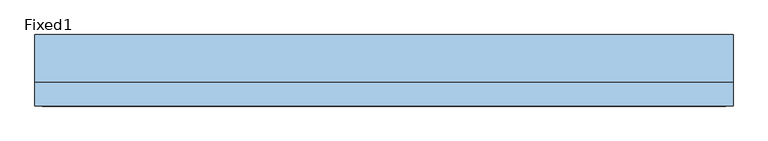
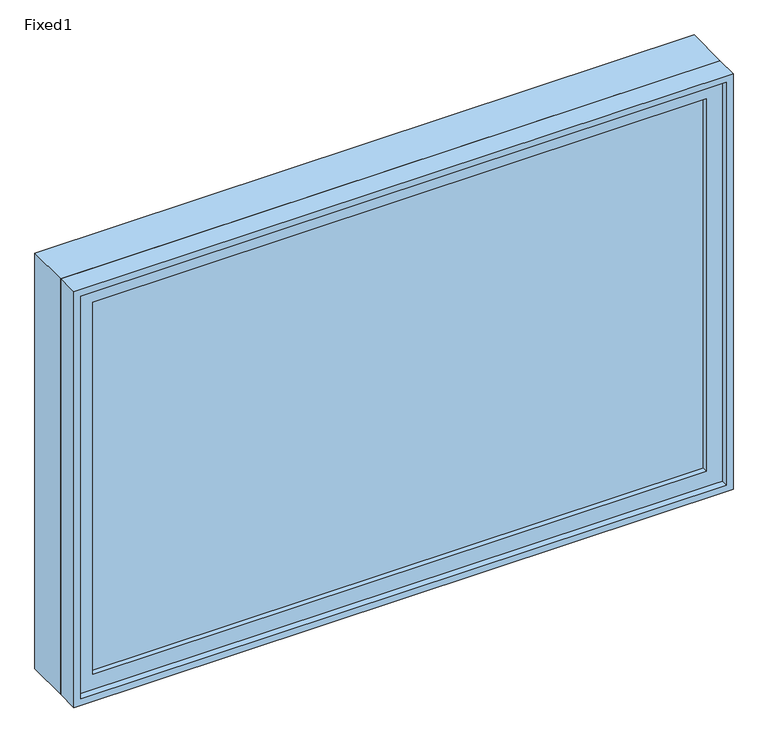
"""IFC4 building model written with IfcOpenShell, lengths in millimetres: window geometry, Fixed1."""

from ifc_helpers import new_model, si_unit, frame, origin, place, context, project, spatial, polyline, outline, extrude, source, transform, mapped, element, save


def fixed1_1b06b6a0(model_context):
    return source(origin(), model_context, "Body", "SweptSolid", [
        extrude(outline(polyline([(812.8, -46.0375), (812.8, -58.7375), (-889.0, -58.7375), (-889.0, -46.0375), (812.8, -46.0375)])), frame((0.0, 0.0, 1130.3), z_axis=(0.0, 0.0, 1.0), x_axis=(1.0, 0.0, 0.0)), (0.0, 0.0, 1.0), 1092.2),
        extrude(outline(polyline([(2266.95, -933.45), (1085.85, -933.45), (1085.85, 857.25), (2266.95, 857.25), (2266.95, -933.45)]), holes=[polyline([(2222.5, -889.0), (2222.5, 812.8), (1130.3, 812.8), (1130.3, -889.0), (2222.5, -889.0)])]), frame((0.0, -74.6125, 0.0), z_axis=(0.0, 1.0, 0.0), x_axis=(0.0, 0.0, 1.0)), (0.0, 0.0, 1.0), 44.45),
        extrude(outline(polyline([(2286.0, -952.5), (1066.8, -952.5), (1066.8, 876.3), (2286.0, 876.3), (2286.0, -952.5)]), holes=[polyline([(2254.25, -920.75), (2254.25, 844.55), (1098.55, 844.55), (1098.55, -920.75), (2254.25, -920.75)])]), frame((0.0, -30.1625, 0.0), z_axis=(0.0, 1.0, 0.0), x_axis=(0.0, 0.0, 1.0)), (0.0, 0.0, 1.0), 123.825),
        extrude(outline(polyline([(2286.0, 876.3), (2286.0, -952.5), (1066.8, -952.5), (1066.8, 876.3), (2286.0, 876.3)]), holes=[polyline([(2266.95, 857.25), (1085.85, 857.25), (1085.85, -933.45), (2266.95, -933.45), (2266.95, 857.25)])]), frame((0.0, -93.6625, 0.0), z_axis=(0.0, 1.0, 0.0), x_axis=(0.0, 0.0, 1.0)), (0.0, 0.0, 1.0), 63.5),
    ])


if __name__ == "__main__":
    model = new_model("IFC4")
    model_context = context("Model", 3, world=origin())
    ifc_project = project(units=[si_unit("LENGTHUNIT", "METRE", prefix="MILLI")], contexts=[model_context])
    site = spatial("IfcSite", under=ifc_project)
    building = spatial("IfcBuilding", under=site)
    placement = place(None, origin())
    fixed1_shape = fixed1_1b06b6a0(model_context)
    element("IfcWindow", 1, ObjectType="Fixed1", at=placement, inside=building, context=model_context, shape_type="MappedRepresentation", body=[
        mapped(fixed1_shape, transform((0.0, 0.0, 0.0), x_axis=(1.0, 0.0, 0.0), y_axis=(0.0, 1.0, 0.0), z_axis=(0.0, 0.0, 1.0))),
    ])
    save(model, "model.ifc")
